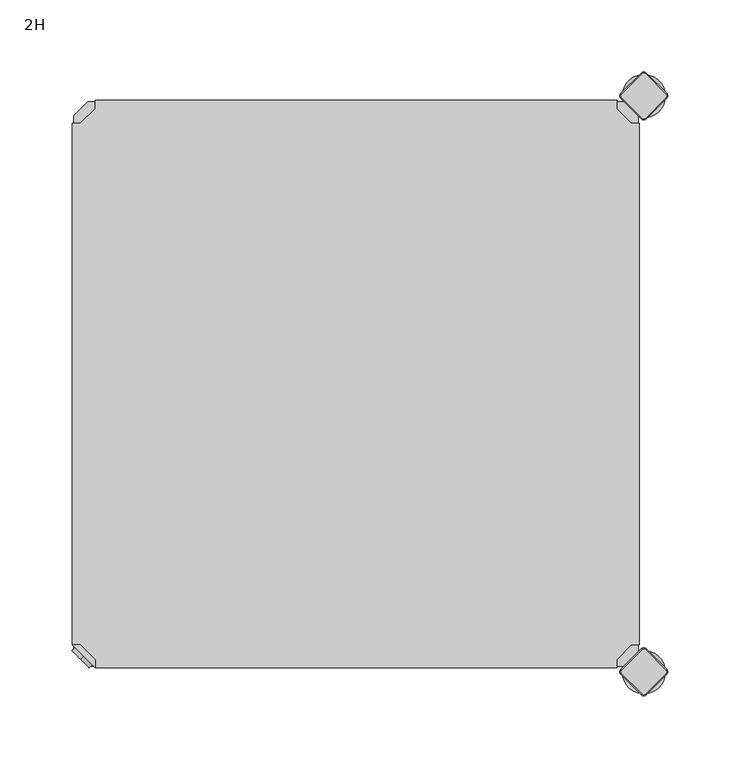
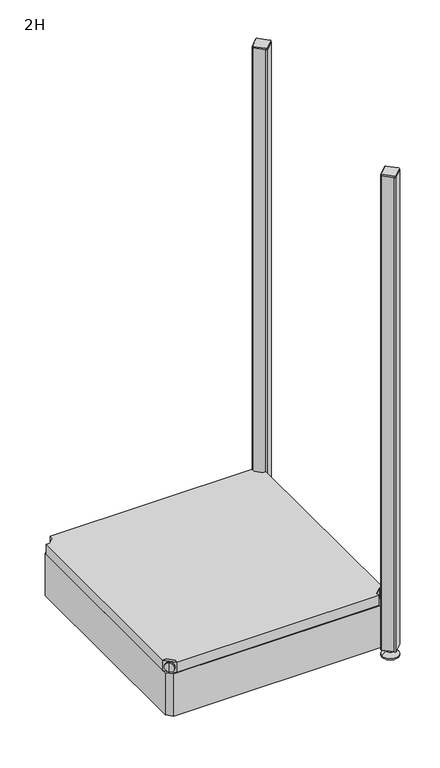
"""IFC4 building model written with IfcOpenShell, lengths in millimetres: furniture geometry, 2H."""

import ifcopenshell
import ifcopenshell.guid

model = None  # the IFC model being written
_history = None  # IfcOwnerHistory: only IFC2X3 demands one
_inside = {}  # id of a spatial element -> (the spatial element, [elements in it])
_under = {}  # id of a project, library or spatial element -> (it, [spatial elements below it])
_declared = {}  # id of a project -> (the project, [libraries it declares])
_typed = {}  # id of a type object -> (the type object, [elements of that type])
_made_of = {}  # id of a material, layer set ... -> (it, [elements and type objects made of it])


def new_model(schema):
    """Start an empty IFC model of exactly this schema.

    Asked for "IFC4X3", IfcOpenShell would pick the latest addendum, in which some entities
    have other attributes; the version numbers below select the first issue.
    IFC2X3 requires an IfcOwnerHistory on every rooted entity: one is made here for all.
    """
    global model, _history
    if schema == "IFC4X3":
        model = ifcopenshell.file(schema_version=(4, 3, 0, 0))
    else:
        model = ifcopenshell.file(schema=schema)
    _inside.clear()
    _under.clear()
    _declared.clear()
    _typed.clear()
    _made_of.clear()
    _history = None
    if model.schema == "IFC2X3":
        org = make("IfcOrganization", Name="unknown")
        user = make(
            "IfcPersonAndOrganization",
            ThePerson=make("IfcPerson", FamilyName="unknown"),
            TheOrganization=org,
        )
        app = make(
            "IfcApplication",
            ApplicationDeveloper=org,
            Version="unknown",
            ApplicationFullName="unknown",
            ApplicationIdentifier="unknown",
        )
        _history = make(
            "IfcOwnerHistory",
            OwningUser=user,
            OwningApplication=app,
            ChangeAction="ADDED",
            CreationDate=0,
        )
    return model


def make(cls, **values):
    """One entity of the class cls with the attributes given. An attribute that is None is left unset."""
    return model.create_entity(
        cls, **{name: value for name, value in values.items() if value is not None}
    )


def rooted(cls, **values):
    """An entity with a GlobalId (a new one), such as an element, a storey or a relation."""
    return make(cls, GlobalId=ifcopenshell.guid.new(), OwnerHistory=_history, **values)


def si_unit(unit_type, name, prefix=None):
    """IfcSIUnit, for example si_unit("LENGTHUNIT", "METRE", prefix="MILLI")."""
    return make("IfcSIUnit", UnitType=unit_type, Prefix=prefix, Name=name)


def assignment(units):
    """IfcUnitAssignment: the units of a project."""
    return None if units is None else make("IfcUnitAssignment", Units=units)


def point(xyz):
    """IfcCartesianPoint."""
    return None if xyz is None else make("IfcCartesianPoint", Coordinates=xyz)


def direction(xyz):
    """IfcDirection."""
    return None if xyz is None else make("IfcDirection", DirectionRatios=xyz)


def frame(location, z_axis=None, x_axis=None):
    """IfcAxis2Placement3D, a coordinate frame: its origin and axes. An axis left out is left unset."""
    return make(
        "IfcAxis2Placement3D",
        Location=point(location),
        Axis=direction(z_axis),
        RefDirection=direction(x_axis),
    )


def frame_2d(location, x_axis=None):
    """IfcAxis2Placement2D, a coordinate frame in the plane: its origin and x axis."""
    return make(
        "IfcAxis2Placement2D", Location=point(location), RefDirection=direction(x_axis)
    )


def origin():
    """The frame at (0, 0, 0) with its axes left unset."""
    return frame((0.0, 0.0, 0.0))


def place(relative_to, where):
    """IfcLocalPlacement: puts the frame where relative to a parent placement (None: the world)."""
    return make(
        "IfcLocalPlacement", PlacementRelTo=relative_to, RelativePlacement=where
    )


def context(
    kind, dimensions, precision=None, world=None, true_north=None, identifier=None
):
    """IfcGeometricRepresentationContext, for example the 3D "Model" context."""
    return make(
        "IfcGeometricRepresentationContext",
        ContextIdentifier=identifier,
        ContextType=kind,
        CoordinateSpaceDimension=dimensions,
        Precision=precision,
        WorldCoordinateSystem=world,
        TrueNorth=true_north,
    )


def project(units=None, contexts=None):
    """IfcProject with its units and contexts."""
    return rooted(
        "IfcProject",
        Name="project",
        RepresentationContexts=contexts,
        UnitsInContext=assignment(units),
    )


def spatial(cls, under=None, at=None, **own):
    """A site, building, storey or space (cls), placed at a placement, below another one or the project."""
    s = rooted(cls, ObjectPlacement=at, **own)
    if under is not None:
        _under.setdefault(under.id(), (under, []))[1].append(s)
    return s


def polyline(points):
    """IfcPolyline through the points."""
    return make("IfcPolyline", Points=[point(p) for p in points])


def circle_curve(where, radius):
    """IfcCircle in the frame where."""
    return make("IfcCircle", Position=where, Radius=radius)


def trimmed(basis, trim1, trim2, sense, master):
    """IfcTrimmedCurve: the piece of a basis curve between two trims."""
    return make(
        "IfcTrimmedCurve",
        BasisCurve=basis,
        Trim1=trim1,
        Trim2=trim2,
        SenseAgreement=sense,
        MasterRepresentation=master,
    )


def segment(curve, same_sense, transition):
    """IfcCompositeCurveSegment."""
    return make(
        "IfcCompositeCurveSegment",
        Transition=transition,
        SameSense=same_sense,
        ParentCurve=curve,
    )


def composite_curve(segments, self_intersect=None):
    """IfcCompositeCurve: segments joined end to end."""
    return make("IfcCompositeCurve", Segments=segments, SelfIntersect=self_intersect)


def outline(outer, holes=None, kind="AREA"):
    """IfcArbitraryClosedProfileDef: a profile drawn as a closed curve; with holes, ...WithVoids."""
    if holes is None:
        return make("IfcArbitraryClosedProfileDef", ProfileType=kind, OuterCurve=outer)
    return make(
        "IfcArbitraryProfileDefWithVoids",
        ProfileType=kind,
        OuterCurve=outer,
        InnerCurves=holes,
    )


def extrude(swept, where, along, depth):
    """IfcExtrudedAreaSolid: the profile swept, set in the frame where, extruded along a direction by depth."""
    return make(
        "IfcExtrudedAreaSolid",
        SweptArea=swept,
        Position=where,
        ExtrudedDirection=direction(along),
        Depth=depth,
    )


def shape(context_of_items, identifier, shape_type, items):
    """IfcShapeRepresentation: the items that make up one representation, for example the "Body"."""
    return make(
        "IfcShapeRepresentation",
        ContextOfItems=context_of_items,
        RepresentationIdentifier=identifier,
        RepresentationType=shape_type,
        Items=items,
    )


def source(mapping_origin, context_of_items, identifier, shape_type, items):
    """IfcRepresentationMap: a shape defined once, which mapped items show again and again."""
    return make(
        "IfcRepresentationMap",
        MappingOrigin=mapping_origin,
        MappedRepresentation=shape(context_of_items, identifier, shape_type, items),
    )


def transform(
    local_origin,
    x_axis=None,
    y_axis=None,
    z_axis=None,
    scale=None,
    scale2=None,
    scale3=None,
    uniform=True,
):
    """IfcCartesianTransformationOperator3D, or its non-uniform kind. x_axis, y_axis, z_axis: its Axis1, 2, 3."""
    if uniform:
        return make(
            "IfcCartesianTransformationOperator3D",
            Axis1=direction(x_axis),
            Axis2=direction(y_axis),
            LocalOrigin=point(local_origin),
            Scale=scale,
            Axis3=direction(z_axis),
        )
    return make(
        "IfcCartesianTransformationOperator3DnonUniform",
        Axis1=direction(x_axis),
        Axis2=direction(y_axis),
        LocalOrigin=point(local_origin),
        Scale=scale,
        Axis3=direction(z_axis),
        Scale2=scale2,
        Scale3=scale3,
    )


def mapped(mapping_source, mapping_target):
    """IfcMappedItem: shows the shape of a source again, moved by a transform."""
    return make(
        "IfcMappedItem", MappingSource=mapping_source, MappingTarget=mapping_target
    )


def made_of(thing, what):
    """Note that an element or type object is made of a material, layer set ...; save() writes the relation."""
    if what is not None:
        _made_of.setdefault(what.id(), (what, []))[1].append(thing)
    return thing


def element(
    cls,
    number,
    at=None,
    inside=None,
    cuts=None,
    type_object=None,
    material=None,
    context=None,
    identifier="Body",
    shape_type=None,
    held_by="IfcProductDefinitionShape",
    body=None,
    shapes=None,
    **own,
):
    """One element of the class cls, such as IfcWall. Its Tag is "e" and its number.

    at: its placement. inside: the storey or other place that contains it. cuts: it is an
    opening in that element (IfcRelVoidsElement). A single representation is given by context,
    identifier, shape_type and body (its items); several are given by shapes. held_by: the class
    of the entity that holds the representations. save() writes the other relations.
    """
    e = rooted(cls, Tag="e%d" % number, ObjectPlacement=at, **own)
    if body is not None:
        shapes = [shape(context, identifier, shape_type, body)]
    if shapes is not None:
        e.Representation = make(held_by, Representations=shapes)
    if inside is not None:
        _inside.setdefault(inside.id(), (inside, []))[1].append(e)
    if cuts is not None:
        rooted(
            "IfcRelVoidsElement", RelatingBuildingElement=cuts, RelatedOpeningElement=e
        )
    if type_object is not None:
        _typed.setdefault(type_object.id(), (type_object, []))[1].append(e)
    return made_of(e, material)


def aggregate(whole, parts):
    """IfcRelAggregates: a whole, such as a stair, and the parts it consists of."""
    return rooted("IfcRelAggregates", RelatingObject=whole, RelatedObjects=parts)


def save(model, path):
    """Write the relations noted so far, then the file.

    IfcRelAggregates (storeys below a building ...), IfcRelContainedInSpatialStructure (elements
    in a storey), IfcRelDefinesByType, IfcRelAssociatesMaterial and IfcRelDeclares: one each for
    every whole, place, type object, material and project.
    """
    for whole, parts in _under.values():
        aggregate(whole, parts)
    for where, things in _inside.values():
        rooted(
            "IfcRelContainedInSpatialStructure",
            RelatedElements=things,
            RelatingStructure=where,
        )
    for kind, things in _typed.values():
        rooted("IfcRelDefinesByType", RelatedObjects=things, RelatingType=kind)
    for what, things in _made_of.values():
        rooted("IfcRelAssociatesMaterial", RelatedObjects=things, RelatingMaterial=what)
    for by, libraries in _declared.values():
        rooted("IfcRelDeclares", RelatingContext=by, RelatedDefinitions=libraries)
    model.write(path)


def plane_surface(at):
    """IfcPlane: the flat surface through the origin of the frame at, square to its z axis."""
    return make("IfcPlane", Position=at)


def cylinder_surface(at, radius):
    """IfcCylindricalSurface: all points at the distance radius from the z axis of the frame at."""
    return make("IfcCylindricalSurface", Position=at, Radius=radius)


def revolved_surface(curve, axis_point, axis_direction):
    """IfcSurfaceOfRevolution: the curve turned about the line through axis_point along axis_direction."""
    return make(
        "IfcSurfaceOfRevolution",
        SweptCurve=make("IfcArbitraryOpenProfileDef", ProfileType="CURVE", Curve=curve),
        AxisPosition=make("IfcAxis1Placement", Location=point(axis_point), Axis=direction(axis_direction)),
    )


def advanced_brep(points, edges, surfaces, faces):
    """IfcAdvancedBrep: a solid bounded by faces that lie on surfaces and meet in shared edges.

    An edge is (start, end): straight between two places in points (the first is 0);
    or (start, end, curve); or (start, end, curve, False) where it runs against its curve.
    A face is (place in surfaces, loops), or (place, loops, False) where it looks against
    its surface's normal. A loop lists edges by number (the first is 1), with a minus sign
    where the edge is run from its end to its start. The first loop is the outer one.
    """
    corners = [point(p) for p in points]
    vertices = [make("IfcVertexPoint", VertexGeometry=c) for c in corners]
    made = []
    for start, end, *more in edges:
        made.append(
            make(
                "IfcEdgeCurve",
                EdgeStart=vertices[start],
                EdgeEnd=vertices[end],
                EdgeGeometry=more[0] if more else make("IfcPolyline", Points=[corners[start], corners[end]]),
                SameSense=more[1] if len(more) > 1 else True,
            )
        )
    hull = []
    for where, loops, *sense in faces:
        bounds = []
        for j, loop in enumerate(loops):
            ring = [make("IfcOrientedEdge", EdgeElement=made[abs(k) - 1], Orientation=k > 0) for k in loop]
            bounds.append(
                make(
                    "IfcFaceOuterBound" if j == 0 else "IfcFaceBound",
                    Bound=make("IfcEdgeLoop", EdgeList=ring),
                    Orientation=True,
                )
            )
        hull.append(make("IfcAdvancedFace", Bounds=bounds, FaceSurface=surfaces[where], SameSense=sense[0] if sense else True))
    return make("IfcAdvancedBrep", Outer=make("IfcClosedShell", CfsFaces=hull))


def furniture_2h_fc935cb0(model_context):
    return source(origin(), model_context, "Body", "SolidModel", [
        advanced_brep(
        [(10.9601551, 10.9601551, 98.5), (10.9601551, 10.9601551, 107.0), (10.9601551, 10.9601551, 115.5), (8.8388348, 8.8388348, 98.5), (8.8388348, 8.8388348, 115.5), (8.8388348, 8.8388348, 107.0)],
        [
            (0, 1),
            (1, 2),
            (2, 0, circle_curve(frame((10.9601551, 10.9601551, 107.0), z_axis=(0.7071067811865464, 0.7071067811865487, 0.0), x_axis=(0.0, 0.0, 1.0)), 8.5)),
            (0, 2, circle_curve(frame((10.9601551, 10.9601551, 107.0), z_axis=(0.7071067811865464, 0.7071067811865487, 0.0), x_axis=(0.0, 0.0, 1.0)), 8.5)),
            (3, 0),
            (2, 4),
            (4, 3, circle_curve(frame((8.8388348, 8.8388348, 107.0), z_axis=(0.7071067811865464, 0.7071067811865487, 0.0), x_axis=(0.0, 0.0, 1.0)), 8.5)),
            (3, 4, circle_curve(frame((8.8388348, 8.8388348, 107.0), z_axis=(0.7071067811865464, 0.7071067811865487, 0.0), x_axis=(0.0, 0.0, 1.0)), 8.5)),
            (5, 3),
            (4, 5),
        ],
        [
            plane_surface(frame((10.9601551, 10.9601551, 107.0), z_axis=(0.707106781186546, 0.7071067811865491, 0.0), x_axis=(0.0, 0.0, 1.0))),
            cylinder_surface(frame((8.8388348, 8.8388348, 107.0), z_axis=(-0.7071067811865464, -0.7071067811865487, 0.0), x_axis=(0.0, 0.0, 1.0)), 8.5),
            plane_surface(frame((8.8388348, 8.8388348, 107.0), z_axis=(-0.707106781186546, -0.7071067811865491, 0.0), x_axis=(0.0, 0.0, 1.0))),
        ],
        [
            (0, [[1, 2, 3]]),
            (0, [[-2, -1, 4]]),
            (1, [[5, -3, 6, 7]]),
            (1, [[-6, -4, -5, 8]]),
            (2, [[9, -7, 10]]),
            (2, [[-10, -8, -9]]),
        ],
    ),
        advanced_brep(
        [(18.9203102, 3.0, 117.0), (18.9203102, 8.6568542, 117.0), (8.6568542, 18.9203102, 117.0), (3.0, 18.9203102, 117.0), (3.0, 18.9203102, 98.0), (3.0, 18.9203102, 97.0), (18.9203102, 3.0, 97.0), (18.9203102, 3.0, 98.0), (18.9203102, 8.6568542, 98.0), (8.6568542, 18.9203102, 98.0), (47.7297077, 31.8093975, 98.0), (31.8093975, 47.7297077, 98.0), (31.8093975, 47.7297077, 97.0), (47.7297077, 31.8093975, 97.0)],
        [
            (0, 1),
            (1, 2),
            (2, 3),
            (3, 0),
            (3, 4),
            (4, 5),
            (5, 6),
            (6, 7),
            (7, 0),
            (1, 8),
            (8, 9),
            (9, 2),
            (7, 8),
            (9, 4),
            (7, 10),
            (10, 11, circle_curve(frame((39.7695526, 39.7695526, 98.0), z_axis=(0.0, 0.0, 1.0), x_axis=(1.0, 0.0, 0.0)), 11.2573593)),
            (11, 4),
            (5, 12),
            (12, 13, circle_curve(frame((39.7695526, 39.7695526, 97.0), z_axis=(0.0, 0.0, -1.0), x_axis=(1.0, 0.0, 0.0)), 11.2573593)),
            (13, 6),
            (11, 12),
            (10, 13),
        ],
        [
            plane_surface(frame((-38.8756299, 60.7959401, 117.0), z_axis=(0.0, 0.0, 1.0000000000000002), x_axis=(-0.7071067811865557, 0.7071067811865395, 0.0))),
            plane_surface(frame((18.9203102, 3.0, 117.0), z_axis=(-0.7071067811865395, -0.7071067811865557, 0.0), x_axis=(0.0, 0.0, -1.0))),
            plane_surface(frame((8.6568542, 18.9203102, 117.0), z_axis=(0.7071067811865481, 0.7071067811865469, 0.0), x_axis=(0.0, 0.0, -1.0))),
            plane_surface(frame((18.9203102, 8.6568542, 117.0), z_axis=(1.0, 0.0, 0.0), x_axis=(0.0, 0.0, -1.0))),
            plane_surface(frame((3.0, 18.9203102, 117.0), z_axis=(0.0, 1.0, 0.0), x_axis=(0.0, 0.0, -1.0))),
            plane_surface(frame((3.0, 18.9203102, 98.0), z_axis=(0.0, 0.0, 1.0), x_axis=(-0.7071067811865485, 0.7071067811865466, 0.0))),
            plane_surface(frame((3.0, 18.9203102, 97.0), z_axis=(0.0, 0.0, -1.0), x_axis=(0.7071067811865485, -0.7071067811865466, 0.0))),
            plane_surface(frame((3.0, 18.9203102, 98.0), z_axis=(-0.7071067811865491, 0.707106781186546, 0.0), x_axis=(0.0, 0.0, -1.0))),
            cylinder_surface(frame((39.7695526, 39.7695526, 97.0), z_axis=(0.0, 0.0, 1.0), x_axis=(1.0, 0.0, 0.0)), 11.2573593),
            plane_surface(frame((47.7297077, 31.8093975, 98.0), z_axis=(0.707106781186548, -0.7071067811865471, 0.0), x_axis=(0.0, 0.0, -1.0))),
        ],
        [
            (0, [[1, 2, 3, 4]]),
            (1, [[5, 6, 7, 8, 9, -4]]),
            (2, [[10, 11, 12, -2]]),
            (3, [[-9, 13, -10, -1]]),
            (4, [[-12, 14, -5, -3]]),
            (5, [[-14, -11, -13, 15, 16, 17]]),
            (6, [[-7, 18, 19, 20]]),
            (7, [[21, -18, -6, -17]]),
            (8, [[22, -19, -21, -16]]),
            (9, [[-8, -20, -22, -15]]),
        ],
    ),
        extrude(outline(polyline([(381.0796898, 3.0), (18.9203102, 3.0), (18.9203102, 8.6568542), (8.6568542, 18.9203102), (3.0, 18.9203102), (3.0, 381.0796898), (8.6568542, 381.0796898), (18.9203102, 391.3431458), (18.9203102, 397.0), (381.0796898, 397.0), (381.0796898, 391.3431458), (391.3431458, 381.0796898), (397.0, 381.0796898), (397.0, 18.9203102), (391.3431458, 18.9203102), (381.0796898, 8.6568542), (381.0796898, 3.0)])), frame((0.0, 0.0, 98.0), z_axis=(0.0, 0.0, 1.0), x_axis=(1.0, 0.0, 0.0)), (0.0, 0.0, 1.0), 19.0),
        advanced_brep(
        [(385.0, 400.0, 0.0), (400.0, 400.0, 0.0), (415.0, 400.0, 0.0), (385.0, 400.0, 2.0), (415.0, 400.0, 2.0), (392.0, 400.0, 9.0), (408.0, 400.0, 9.0), (396.0, 400.0, 9.0), (404.0, 400.0, 9.0), (396.0, 400.0, 15.0), (404.0, 400.0, 15.0), (400.0, 400.0, 15.0)],
        [
            (0, 1),
            (1, 2),
            (2, 0, circle_curve(frame((400.0, 400.0, 0.0), z_axis=(0.0, 0.0, -1.0), x_axis=(1.0, 0.0, 0.0)), 15.0)),
            (0, 2, circle_curve(frame((400.0, 400.0, 0.0), z_axis=(0.0, 0.0, -1.0), x_axis=(1.0, 0.0, 0.0)), 15.0)),
            (3, 0),
            (2, 4),
            (4, 3, circle_curve(frame((400.0, 400.0, 2.0), z_axis=(0.0, 0.0, -1.0), x_axis=(1.0, 0.0, 0.0)), 15.0)),
            (3, 4, circle_curve(frame((400.0, 400.0, 2.0), z_axis=(0.0, 0.0, -1.0), x_axis=(1.0, 0.0, 0.0)), 15.0)),
            (5, 3),
            (4, 6),
            (6, 5, circle_curve(frame((400.0, 400.0, 9.0), z_axis=(0.0, 0.0, -1.0), x_axis=(1.0, 0.0, 0.0)), 8.0)),
            (5, 6, circle_curve(frame((400.0, 400.0, 9.0), z_axis=(0.0, 0.0, -1.0), x_axis=(1.0, 0.0, 0.0)), 8.0)),
            (7, 5),
            (6, 8),
            (8, 7, circle_curve(frame((400.0, 400.0, 9.0), z_axis=(0.0, 0.0, -1.0), x_axis=(1.0, 0.0, 0.0)), 4.0)),
            (7, 8, circle_curve(frame((400.0, 400.0, 9.0), z_axis=(0.0, 0.0, -1.0), x_axis=(1.0, 0.0, 0.0)), 4.0)),
            (9, 7),
            (8, 10),
            (10, 9, circle_curve(frame((400.0, 400.0, 15.0), z_axis=(0.0, 0.0, -1.0), x_axis=(1.0, 0.0, 0.0)), 4.0)),
            (9, 10, circle_curve(frame((400.0, 400.0, 15.0), z_axis=(0.0, 0.0, -1.0), x_axis=(1.0, 0.0, 0.0)), 4.0)),
            (11, 9),
            (10, 11),
        ],
        [
            plane_surface(frame((400.0, 400.0, 0.0), z_axis=(0.0, 0.0, -1.0), x_axis=(1.0, 0.0, 0.0))),
            cylinder_surface(frame((400.0, 400.0, 18.6083303), z_axis=(0.0, 0.0, 1.0), x_axis=(1.0, 0.0, 0.0)), 15.0),
            revolved_surface(polyline([(415.0, 400.0, 2.0), (408.0, 400.0, 9.0)]), (400.0, 400.0, 18.6083303), (0.0, 0.0, 1.0)),
            plane_surface(frame((400.0, 400.0, 9.0), z_axis=(0.0, 0.0, 1.0), x_axis=(1.0, 0.0, 0.0))),
            cylinder_surface(frame((400.0, 400.0, 18.6083303), z_axis=(0.0, 0.0, 1.0), x_axis=(1.0, 0.0, 0.0)), 4.0),
            plane_surface(frame((400.0, 400.0, 15.0), z_axis=(0.0, 0.0, 1.0), x_axis=(1.0, 0.0, 0.0))),
        ],
        [
            (0, [[1, 2, 3]]),
            (0, [[-2, -1, 4]]),
            (1, [[5, -3, 6, 7]]),
            (1, [[-6, -4, -5, 8]]),
            (2, [[9, -7, 10, 11]]),
            (2, [[-10, -8, -9, 12]]),
            (3, [[13, -11, 14, 15]]),
            (3, [[-14, -12, -13, 16]]),
            (4, [[17, -15, 18, 19]]),
            (4, [[-18, -16, -17, 20]]),
            (5, [[21, -19, 22]]),
            (5, [[-22, -20, -21]]),
        ],
    ),
        advanced_brep(
        [(398.7979185, 384.6557828, 917.0), (401.2020815, 384.6557828, 917.0), (415.3442172, 398.7979185, 917.0), (415.3442172, 401.2020815, 917.0), (401.2020815, 415.3442172, 917.0), (398.7979185, 415.3442172, 917.0), (384.6557828, 401.2020815, 917.0), (384.6557828, 398.7979185, 917.0), (398.232233, 384.0900974, 915.0), (384.0900974, 398.232233, 915.0), (384.0900974, 401.767767, 915.0), (398.232233, 415.9099026, 915.0), (401.767767, 415.9099026, 915.0), (415.9099026, 401.767767, 915.0), (415.9099026, 398.232233, 915.0), (401.767767, 384.0900974, 915.0)],
        [
            (0, 1, circle_curve(frame((400.0, 385.8578644, 917.0), z_axis=(0.0, 0.0, 1.0), x_axis=(0.7071067811865458, -0.7071067811865492, 0.0)), 1.7)),
            (1, 2),
            (2, 3, circle_curve(frame((414.1421356, 400.0, 917.0), z_axis=(0.0, 0.0, 1.0), x_axis=(0.707106781186539, 0.7071067811865559, 0.0)), 1.7)),
            (3, 4),
            (4, 5, circle_curve(frame((400.0, 414.1421356, 917.0), z_axis=(0.0, 0.0, 1.0), x_axis=(-0.7071067811865491, 0.707106781186546, 0.0)), 1.7)),
            (5, 6),
            (6, 7, circle_curve(frame((385.8578644, 400.0, 917.0), z_axis=(0.0, 0.0, 1.0), x_axis=(-0.7071067811865537, -0.7071067811865414, 0.0)), 1.7)),
            (7, 0),
            (8, 9),
            (9, 10, circle_curve(frame((385.8578644, 400.0, 915.0), z_axis=(0.0, 0.0, -1.0), x_axis=(-0.7071067811865537, -0.7071067811865414, 0.0)), 2.5)),
            (10, 11),
            (11, 12, circle_curve(frame((400.0, 414.1421356, 915.0), z_axis=(0.0, 0.0, -1.0), x_axis=(-0.7071067811865491, 0.707106781186546, 0.0)), 2.5)),
            (12, 13),
            (13, 14, circle_curve(frame((414.1421356, 400.0, 915.0), z_axis=(0.0, 0.0, -1.0), x_axis=(0.707106781186539, 0.7071067811865559, 0.0)), 2.5)),
            (14, 15),
            (15, 8, circle_curve(frame((400.0, 385.8578644, 915.0), z_axis=(0.0, 0.0, -1.0), x_axis=(0.7071067811865458, -0.7071067811865492, 0.0)), 2.5)),
            (8, 0),
            (7, 9),
            (6, 10),
            (5, 11),
            (4, 12),
            (3, 13),
            (2, 14),
            (1, 15),
        ],
        [
            plane_surface(frame((400.0, 400.0, 917.0), z_axis=(0.0, 0.0, 1.0), x_axis=(-0.7071067811865486, -0.7071067811865466, 0.0))),
            plane_surface(frame((400.0, 400.0, 915.0), z_axis=(0.0, 0.0, -1.0), x_axis=(-0.7071067811865486, -0.7071067811865466, 0.0))),
            plane_surface(frame((391.1611652, 391.1611652, 915.0), z_axis=(-0.6565321642986388, -0.6565321642986298, 0.3713906763540281), x_axis=(-0.7071067811865408, 0.7071067811865543, 0.0))),
            revolved_surface(polyline([(384.65578284, 398.79791844, 917.0), (384.0900974, 398.232233, 915.0)]), (385.8578644, 400.0, 921.25), (0.0, 0.0, -1.0)),
            plane_surface(frame((391.1611652, 408.8388348, 915.0), z_axis=(-0.6565321642986306, 0.656532164298643, 0.3713906763540188), x_axis=(0.7071067811865523, 0.7071067811865428, 0.0))),
            revolved_surface(polyline([(398.79791844, 415.34421716, 917.0), (398.232233, 415.9099026, 915.0)]), (400.0, 414.1421356, 921.25), (0.0, 0.0, -1.0)),
            plane_surface(frame((408.8388348, 408.8388348, 915.0), z_axis=(0.6565321642986299, 0.656532164298642, 0.3713906763540221), x_axis=(0.7071067811865541, -0.707106781186541, 0.0))),
            revolved_surface(polyline([(415.34421716, 401.20208156, 917.0), (415.9099026, 401.767767, 915.0)]), (414.1421356, 400.0, 921.25), (0.0, 0.0, -1.0)),
            plane_surface(frame((408.8388348, 391.1611652, 915.0), z_axis=(0.6565321642986411, -0.6565321642986284, 0.37139067635402634), x_axis=(-0.7071067811865407, -0.7071067811865545, 0.0))),
            revolved_surface(polyline([(401.20208156, 384.65578284, 917.0), (401.767767, 384.0900974, 915.0)]), (400.0, 385.8578644, 921.25), (0.0, 0.0, -1.0)),
        ],
        [
            (0, [[1, 2, 3, 4, 5, 6, 7, 8]]),
            (1, [[9, 10, 11, 12, 13, 14, 15, 16]]),
            (2, [[17, -8, 18, -9]]),
            (3, [[-18, -7, 19, -10]]),
            (4, [[-19, -6, 20, -11]]),
            (5, [[-20, -5, 21, -12]]),
            (6, [[-21, -4, 22, -13]]),
            (7, [[-22, -3, 23, -14]]),
            (8, [[-23, -2, 24, -15]]),
            (9, [[-24, -1, -17, -16]]),
        ],
    ),
        extrude(outline(composite_curve([segment(polyline([(415.9099026, 398.232233), (401.767767, 384.0900974)]), True, "CONTINUOUS"), segment(trimmed(circle_curve(frame_2d((400.0, 385.8578644)), 2.5), [point((401.767767, 384.0900974))], [point((398.232233, 384.0900974))], False, "CARTESIAN"), True, "CONTINUOUS"), segment(polyline([(398.232233, 384.0900974), (384.0900974, 398.232233)]), True, "CONTINUOUS"), segment(trimmed(circle_curve(frame_2d((385.8578644, 400.0)), 2.5), [point((384.0900974, 398.232233))], [point((384.0900974, 401.767767))], False, "CARTESIAN"), True, "CONTINUOUS"), segment(polyline([(384.0900974, 401.767767), (398.232233, 415.9099026)]), True, "CONTINUOUS"), segment(trimmed(circle_curve(frame_2d((400.0, 414.1421356)), 2.5), [point((398.232233, 415.9099026))], [point((401.767767, 415.9099026))], False, "CARTESIAN"), True, "CONTINUOUS"), segment(polyline([(401.767767, 415.9099026), (415.9099026, 401.767767)]), True, "CONTINUOUS"), segment(trimmed(circle_curve(frame_2d((414.1421356, 400.0)), 2.5), [point((415.9099026, 401.767767))], [point((415.9099026, 398.232233))], False, "CARTESIAN"), True, "CONTINUOUS")], self_intersect=False)), frame((0.0, 0.0, 15.0), z_axis=(0.0, 0.0, 1.0), x_axis=(1.0, 0.0, 0.0)), (0.0, 0.0, 1.0), 900.0),
        advanced_brep(
        [(385.0, 0.0, 0.0), (400.0, 0.0, 0.0), (415.0, 0.0, 0.0), (385.0, 0.0, 2.0), (415.0, 0.0, 2.0), (392.0, 0.0, 9.0), (408.0, 0.0, 9.0), (396.0, 0.0, 9.0), (404.0, 0.0, 9.0), (396.0, 0.0, 15.0), (404.0, 0.0, 15.0), (400.0, 0.0, 15.0)],
        [
            (0, 1),
            (1, 2),
            (2, 0, circle_curve(frame((400.0, 0.0, 0.0), z_axis=(0.0, 0.0, -1.0), x_axis=(1.0, 0.0, 0.0)), 15.0)),
            (0, 2, circle_curve(frame((400.0, 0.0, 0.0), z_axis=(0.0, 0.0, -1.0), x_axis=(1.0, 0.0, 0.0)), 15.0)),
            (3, 0),
            (2, 4),
            (4, 3, circle_curve(frame((400.0, 0.0, 2.0), z_axis=(0.0, 0.0, -1.0), x_axis=(1.0, 0.0, 0.0)), 15.0)),
            (3, 4, circle_curve(frame((400.0, 0.0, 2.0), z_axis=(0.0, 0.0, -1.0), x_axis=(1.0, 0.0, 0.0)), 15.0)),
            (5, 3),
            (4, 6),
            (6, 5, circle_curve(frame((400.0, 0.0, 9.0), z_axis=(0.0, 0.0, -1.0), x_axis=(1.0, 0.0, 0.0)), 8.0)),
            (5, 6, circle_curve(frame((400.0, 0.0, 9.0), z_axis=(0.0, 0.0, -1.0), x_axis=(1.0, 0.0, 0.0)), 8.0)),
            (7, 5),
            (6, 8),
            (8, 7, circle_curve(frame((400.0, 0.0, 9.0), z_axis=(0.0, 0.0, -1.0), x_axis=(1.0, 0.0, 0.0)), 4.0)),
            (7, 8, circle_curve(frame((400.0, 0.0, 9.0), z_axis=(0.0, 0.0, -1.0), x_axis=(1.0, 0.0, 0.0)), 4.0)),
            (9, 7),
            (8, 10),
            (10, 9, circle_curve(frame((400.0, 0.0, 15.0), z_axis=(0.0, 0.0, -1.0), x_axis=(1.0, 0.0, 0.0)), 4.0)),
            (9, 10, circle_curve(frame((400.0, 0.0, 15.0), z_axis=(0.0, 0.0, -1.0), x_axis=(1.0, 0.0, 0.0)), 4.0)),
            (11, 9),
            (10, 11),
        ],
        [
            plane_surface(frame((400.0, 0.0, 0.0), z_axis=(0.0, 0.0, -1.0), x_axis=(1.0, 0.0, 0.0))),
            cylinder_surface(frame((400.0, 0.0, 18.6083303), z_axis=(0.0, 0.0, 1.0), x_axis=(1.0, 0.0, 0.0)), 15.0),
            revolved_surface(polyline([(415.0, 0.0, 2.0), (408.0, 0.0, 9.0)]), (400.0, 0.0, 18.6083303), (0.0, 0.0, 1.0)),
            plane_surface(frame((400.0, 0.0, 9.0), z_axis=(0.0, 0.0, 1.0), x_axis=(1.0, 0.0, 0.0))),
            cylinder_surface(frame((400.0, 0.0, 18.6083303), z_axis=(0.0, 0.0, 1.0), x_axis=(1.0, 0.0, 0.0)), 4.0),
            plane_surface(frame((400.0, 0.0, 15.0), z_axis=(0.0, 0.0, 1.0), x_axis=(1.0, 0.0, 0.0))),
        ],
        [
            (0, [[1, 2, 3]]),
            (0, [[-2, -1, 4]]),
            (1, [[5, -3, 6, 7]]),
            (1, [[-6, -4, -5, 8]]),
            (2, [[9, -7, 10, 11]]),
            (2, [[-10, -8, -9, 12]]),
            (3, [[13, -11, 14, 15]]),
            (3, [[-14, -12, -13, 16]]),
            (4, [[17, -15, 18, 19]]),
            (4, [[-18, -16, -17, 20]]),
            (5, [[21, -19, 22]]),
            (5, [[-22, -20, -21]]),
        ],
    ),
        advanced_brep(
        [(398.7979185, -15.3442172, 917.0), (401.2020815, -15.3442172, 917.0), (415.3442172, -1.2020815, 917.0), (415.3442172, 1.2020815, 917.0), (401.2020815, 15.3442172, 917.0), (398.7979185, 15.3442172, 917.0), (384.6557828, 1.2020815, 917.0), (384.6557828, -1.2020815, 917.0), (398.232233, -15.9099026, 915.0), (384.0900974, -1.767767, 915.0), (384.0900974, 1.767767, 915.0), (398.232233, 15.9099026, 915.0), (401.767767, 15.9099026, 915.0), (415.9099026, 1.767767, 915.0), (415.9099026, -1.767767, 915.0), (401.767767, -15.9099026, 915.0)],
        [
            (0, 1, circle_curve(frame((400.0, -14.1421356, 917.0), z_axis=(0.0, 0.0, 1.0), x_axis=(0.7071067811865458, -0.7071067811865492, 0.0)), 1.7)),
            (1, 2),
            (2, 3, circle_curve(frame((414.1421356, 0.0, 917.0), z_axis=(0.0, 0.0, 1.0), x_axis=(0.707106781186539, 0.7071067811865559, 0.0)), 1.7)),
            (3, 4),
            (4, 5, circle_curve(frame((400.0, 14.1421356, 917.0), z_axis=(0.0, 0.0, 1.0), x_axis=(-0.7071067811865491, 0.707106781186546, 0.0)), 1.7)),
            (5, 6),
            (6, 7, circle_curve(frame((385.8578644, 0.0, 917.0), z_axis=(0.0, 0.0, 1.0), x_axis=(-0.7071067811865537, -0.7071067811865414, 0.0)), 1.7)),
            (7, 0),
            (8, 9),
            (9, 10, circle_curve(frame((385.8578644, 0.0, 915.0), z_axis=(0.0, 0.0, -1.0), x_axis=(-0.7071067811865537, -0.7071067811865414, 0.0)), 2.5)),
            (10, 11),
            (11, 12, circle_curve(frame((400.0, 14.1421356, 915.0), z_axis=(0.0, 0.0, -1.0), x_axis=(-0.7071067811865491, 0.707106781186546, 0.0)), 2.5)),
            (12, 13),
            (13, 14, circle_curve(frame((414.1421356, 0.0, 915.0), z_axis=(0.0, 0.0, -1.0), x_axis=(0.707106781186539, 0.7071067811865559, 0.0)), 2.5)),
            (14, 15),
            (15, 8, circle_curve(frame((400.0, -14.1421356, 915.0), z_axis=(0.0, 0.0, -1.0), x_axis=(0.7071067811865458, -0.7071067811865492, 0.0)), 2.5)),
            (8, 0),
            (7, 9),
            (6, 10),
            (5, 11),
            (4, 12),
            (3, 13),
            (2, 14),
            (1, 15),
        ],
        [
            plane_surface(frame((400.0, 0.0, 917.0), z_axis=(0.0, 0.0, 1.0), x_axis=(-0.7071067811865486, -0.7071067811865466, 0.0))),
            plane_surface(frame((400.0, 0.0, 915.0), z_axis=(0.0, 0.0, -1.0), x_axis=(-0.7071067811865486, -0.7071067811865466, 0.0))),
            plane_surface(frame((391.1611652, -8.8388348, 915.0), z_axis=(-0.6565321642986388, -0.6565321642986298, 0.3713906763540281), x_axis=(-0.7071067811865408, 0.7071067811865543, 0.0))),
            revolved_surface(polyline([(384.65578284, -1.20208156, 917.0), (384.0900974, -1.767767, 915.0)]), (385.8578644, 0.0, 921.25), (0.0, 0.0, -1.0)),
            plane_surface(frame((391.1611652, 8.8388348, 915.0), z_axis=(-0.6565321642986306, 0.656532164298643, 0.3713906763540188), x_axis=(0.7071067811865523, 0.7071067811865428, 0.0))),
            revolved_surface(polyline([(398.79791844, 15.34421716, 917.0), (398.232233, 15.9099026, 915.0)]), (400.0, 14.1421356, 921.25), (0.0, 0.0, -1.0)),
            plane_surface(frame((408.8388348, 8.8388348, 915.0), z_axis=(0.6565321642986299, 0.656532164298642, 0.3713906763540221), x_axis=(0.7071067811865541, -0.707106781186541, 0.0))),
            revolved_surface(polyline([(415.34421716, 1.20208156, 917.0), (415.9099026, 1.767767, 915.0)]), (414.1421356, 0.0, 921.25), (0.0, 0.0, -1.0)),
            plane_surface(frame((408.8388348, -8.8388348, 915.0), z_axis=(0.6565321642986411, -0.6565321642986284, 0.37139067635402634), x_axis=(-0.7071067811865407, -0.7071067811865545, 0.0))),
            revolved_surface(polyline([(401.20208156, -15.34421716, 917.0), (401.767767, -15.9099026, 915.0)]), (400.0, -14.1421356, 921.25), (0.0, 0.0, -1.0)),
        ],
        [
            (0, [[1, 2, 3, 4, 5, 6, 7, 8]]),
            (1, [[9, 10, 11, 12, 13, 14, 15, 16]]),
            (2, [[17, -8, 18, -9]]),
            (3, [[-18, -7, 19, -10]]),
            (4, [[-19, -6, 20, -11]]),
            (5, [[-20, -5, 21, -12]]),
            (6, [[-21, -4, 22, -13]]),
            (7, [[-22, -3, 23, -14]]),
            (8, [[-23, -2, 24, -15]]),
            (9, [[-24, -1, -17, -16]]),
        ],
    ),
        extrude(outline(composite_curve([segment(polyline([(415.9099026, -1.767767), (401.767767, -15.9099026)]), True, "CONTINUOUS"), segment(trimmed(circle_curve(frame_2d((400.0, -14.1421356)), 2.5), [point((401.767767, -15.9099026))], [point((398.232233, -15.9099026))], False, "CARTESIAN"), True, "CONTINUOUS"), segment(polyline([(398.232233, -15.9099026), (384.0900974, -1.767767)]), True, "CONTINUOUS"), segment(trimmed(circle_curve(frame_2d((385.8578644, 0.0)), 2.5), [point((384.0900974, -1.767767))], [point((384.0900974, 1.767767))], False, "CARTESIAN"), True, "CONTINUOUS"), segment(polyline([(384.0900974, 1.767767), (398.232233, 15.9099026)]), True, "CONTINUOUS"), segment(trimmed(circle_curve(frame_2d((400.0, 14.1421356)), 2.5), [point((398.232233, 15.9099026))], [point((401.767767, 15.9099026))], False, "CARTESIAN"), True, "CONTINUOUS"), segment(polyline([(401.767767, 15.9099026), (415.9099026, 1.767767)]), True, "CONTINUOUS"), segment(trimmed(circle_curve(frame_2d((414.1421356, 0.0)), 2.5), [point((415.9099026, 1.767767))], [point((415.9099026, -1.767767))], False, "CARTESIAN"), True, "CONTINUOUS")], self_intersect=False)), frame((0.0, 0.0, 15.0), z_axis=(0.0, 0.0, 1.0), x_axis=(1.0, 0.0, 0.0)), (0.0, 0.0, 1.0), 900.0),
        extrude(outline(polyline([(4.0, 13.6776695), (4.0, 386.3223305), (13.6776695, 396.0), (386.3223305, 396.0), (396.0, 386.3223305), (396.0, 13.6776695), (386.3223305, 4.0), (13.6776695, 4.0), (4.0, 13.6776695)])), frame((0.0, 0.0, 16.0), z_axis=(0.0, 0.0, 1.0), x_axis=(1.0, 0.0, 0.0)), (0.0, 0.0, 1.0), 80.0),
    ])


if __name__ == "__main__":
    model = new_model("IFC4")
    model_context = context("Model", 3, world=origin())
    ifc_project = project(units=[si_unit("LENGTHUNIT", "METRE", prefix="MILLI")], contexts=[model_context])
    site = spatial("IfcSite", under=ifc_project)
    building = spatial("IfcBuilding", under=site)
    placement = place(None, origin())
    furniture_2h_shape = furniture_2h_fc935cb0(model_context)
    element("IfcFurniture", 1, ObjectType="2H", at=placement, inside=building, context=model_context, shape_type="MappedRepresentation", body=[
        mapped(furniture_2h_shape, transform((0.0, 0.0, 0.0), x_axis=(1.0, 0.0, 0.0), y_axis=(0.0, 1.0, 0.0), z_axis=(0.0, 0.0, 1.0))),
    ])
    save(model, "model.ifc")
